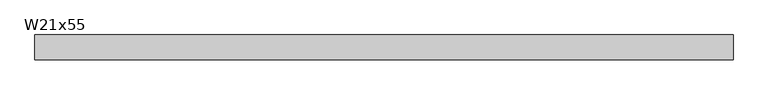
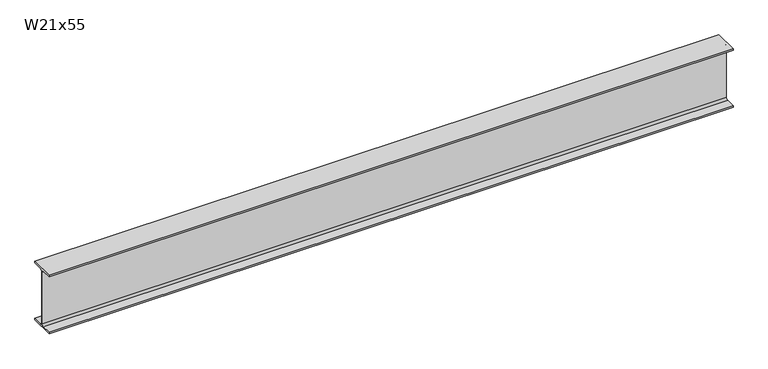
"""IFC4 building model written with IfcOpenShell, lengths in millimetres: beam geometry, W21x55."""

from ifc_helpers import new_model, si_unit, point, frame, frame_2d, origin, place, context, project, spatial, polyline, circle_curve, trimmed, segment, composite_curve, outline, extrude, source, transform, mapped, element, save


def w21x55_c0639412(model_context):
    return source(origin(), model_context, "Body", "SweptSolid", [
        extrude(outline(composite_curve([segment(polyline([(104.394, -250.9012), (104.394, -264.16), (-104.394, -264.16), (-104.394, -250.9012), (-21.6662, -250.9012)]), True, "CONTINUOUS"), segment(trimmed(circle_curve(frame_2d((-21.6662, -233.9975)), 16.9037), [point((-21.6662, -250.9012))], [point((-4.7625, -233.9975))], True, "CARTESIAN"), True, "CONTINUOUS"), segment(polyline([(-4.7625, -233.9975), (-4.7625, 233.9975)]), True, "CONTINUOUS"), segment(trimmed(circle_curve(frame_2d((-21.6662, 233.9975)), 16.9037), [point((-4.7625, 233.9975))], [point((-21.6662, 250.9012))], True, "CARTESIAN"), True, "CONTINUOUS"), segment(polyline([(-21.6662, 250.9012), (-104.394, 250.9012), (-104.394, 264.16), (104.394, 264.16), (104.394, 250.9012), (21.6662, 250.9012)]), True, "CONTINUOUS"), segment(trimmed(circle_curve(frame_2d((21.6662, 233.9975)), 16.9037), [point((21.6662, 250.9012))], [point((4.7625, 233.9975))], True, "CARTESIAN"), True, "CONTINUOUS"), segment(polyline([(4.7625, 233.9975), (4.7625, -233.9975)]), True, "CONTINUOUS"), segment(trimmed(circle_curve(frame_2d((21.6662, -233.9975)), 16.9037), [point((4.7625, -233.9975))], [point((21.6662, -250.9012))], True, "CARTESIAN"), True, "CONTINUOUS"), segment(polyline([(21.6662, -250.9012), (104.394, -250.9012)]), True, "CONTINUOUS")], self_intersect=False)), frame((-2998.7875, 0.0, 0.0), z_axis=(1.0, 0.0, 0.0), x_axis=(0.0, 1.0, 0.0)), (0.0, 0.0, 1.0), 5848.6747722),
    ])


if __name__ == "__main__":
    model = new_model("IFC4")
    model_context = context("Model", 3, world=origin())
    ifc_project = project(units=[si_unit("LENGTHUNIT", "METRE", prefix="MILLI")], contexts=[model_context])
    site = spatial("IfcSite", under=ifc_project)
    building = spatial("IfcBuilding", under=site)
    placement = place(None, origin())
    w21x55_shape = w21x55_c0639412(model_context)
    element("IfcBeam", 1, ObjectType="W21x55", at=placement, inside=building, context=model_context, shape_type="MappedRepresentation", body=[
        mapped(w21x55_shape, transform((0.0, 0.0, 0.0), x_axis=(1.0, 0.0, 0.0), y_axis=(0.0, 1.0, 0.0), z_axis=(0.0, 0.0, 1.0))),
    ])
    save(model, "model.ifc")
